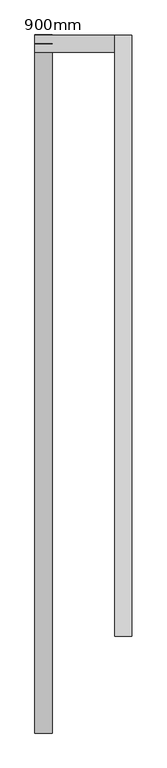
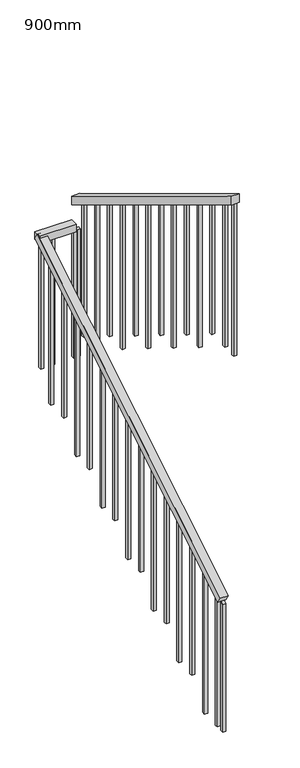
"""IFC4 building model written with IfcOpenShell, lengths in millimetres: railing geometry, 900mm."""

from ifc_helpers import new_model, si_unit, frame, origin, place, context, project, spatial, polyline, outline, extrude, source, transform, mapped, element, save


def railing_900mm_ddc5fd25(model_context):
    return source(origin(), model_context, "Body", "SweptSolid", [
        extrude(outline(polyline([(0.0, -50.0), (0.0, 0.0), (2341.079373, 0.0), (2341.079373, -50.0), (0.0, -50.0)])), frame((-17112.540233, -134.9692473, 1030.86362), z_axis=(0.0, -0.5190768045017743, 0.8547276004834681), x_axis=(0.0, 0.8547276004834681, 0.5190768045017743)), (0.0, 0.0, 1.0), 50.0),
        extrude(outline(polyline([(-17112.540233, 1815.4620675), (-17112.540233, 1865.4620675), (-16880.940233, 1865.4620675), (-16880.940233, 1815.4620675), (-17112.540233, 1815.4620675)])), frame((0.0, 0.0, 2238.8), z_axis=(0.0, 0.0, 1.0), x_axis=(1.0, 0.0, 0.0)), (0.0, 0.0, 1.0), 50.0),
        extrude(outline(polyline([(1865.4620675, 2447.0226364), (1865.4620675, 2388.5735374), (119.56949, 3445.550901), (119.56949, 3504.0), (1865.4620675, 2447.0226364)])), frame((-16880.940233, 0.0, 0.0), z_axis=(1.0, 0.0, 0.0), x_axis=(0.0, 1.0, 0.0)), (0.0, 0.0, 1.0), 50.0),
        extrude(outline(polyline([(240.4620675, 3380.8106644), (240.4620675, 2430.4), (220.4620675, 2430.4), (220.4620675, 3392.9188247), (240.4620675, 3380.8106644)])), frame((-16865.940233, 0.0, 0.0), z_axis=(1.0, 0.0, 0.0), x_axis=(0.0, 1.0, 0.0)), (0.0, 0.0, 1.0), 20.0),
        extrude(outline(polyline([(380.4620675, 3296.0535419), (380.4620675, 2430.4), (360.4620675, 2430.4), (360.4620675, 3308.1617023), (380.4620675, 3296.0535419)])), frame((-16865.940233, 0.0, 0.0), z_axis=(1.0, 0.0, 0.0), x_axis=(0.0, 1.0, 0.0)), (0.0, 0.0, 1.0), 20.0),
        extrude(outline(polyline([(520.4620675, 3211.2964195), (520.4620675, 2256.8), (500.4620675, 2256.8), (500.4620675, 3223.4045799), (520.4620675, 3211.2964195)])), frame((-16865.940233, 0.0, 0.0), z_axis=(1.0, 0.0, 0.0), x_axis=(0.0, 1.0, 0.0)), (0.0, 0.0, 1.0), 20.0),
        extrude(outline(polyline([(660.4620675, 3126.5392971), (660.4620675, 2256.8), (640.4620675, 2256.8), (640.4620675, 3138.6474575), (660.4620675, 3126.5392971)])), frame((-16865.940233, 0.0, 0.0), z_axis=(1.0, 0.0, 0.0), x_axis=(0.0, 1.0, 0.0)), (0.0, 0.0, 1.0), 20.0),
        extrude(outline(polyline([(800.4620675, 3041.7821747), (800.4620675, 2083.2), (780.4620675, 2083.2), (780.4620675, 3053.8903351), (800.4620675, 3041.7821747)])), frame((-16865.940233, 0.0, 0.0), z_axis=(1.0, 0.0, 0.0), x_axis=(0.0, 1.0, 0.0)), (0.0, 0.0, 1.0), 20.0),
        extrude(outline(polyline([(940.4620675, 2957.0250523), (940.4620675, 2083.2), (920.4620675, 2083.2), (920.4620675, 2969.1332126), (940.4620675, 2957.0250523)])), frame((-16865.940233, 0.0, 0.0), z_axis=(1.0, 0.0, 0.0), x_axis=(0.0, 1.0, 0.0)), (0.0, 0.0, 1.0), 20.0),
        extrude(outline(polyline([(1080.4620675, 2872.2679299), (1080.4620675, 1909.6), (1060.4620675, 1909.6), (1060.4620675, 2884.3760902), (1080.4620675, 2872.2679299)])), frame((-16865.940233, 0.0, 0.0), z_axis=(1.0, 0.0, 0.0), x_axis=(0.0, 1.0, 0.0)), (0.0, 0.0, 1.0), 20.0),
        extrude(outline(polyline([(1220.4620675, 2787.5108075), (1220.4620675, 1909.6), (1200.4620675, 1909.6), (1200.4620675, 2799.6189678), (1220.4620675, 2787.5108075)])), frame((-16865.940233, 0.0, 0.0), z_axis=(1.0, 0.0, 0.0), x_axis=(0.0, 1.0, 0.0)), (0.0, 0.0, 1.0), 20.0),
        extrude(outline(polyline([(1360.4620675, 2702.7536851), (1360.4620675, 1736.0), (1340.4620675, 1736.0), (1340.4620675, 2714.8618454), (1360.4620675, 2702.7536851)])), frame((-16865.940233, 0.0, 0.0), z_axis=(1.0, 0.0, 0.0), x_axis=(0.0, 1.0, 0.0)), (0.0, 0.0, 1.0), 20.0),
        extrude(outline(polyline([(1500.4620675, 2617.9965627), (1500.4620675, 1736.0), (1480.4620675, 1736.0), (1480.4620675, 2630.104723), (1500.4620675, 2617.9965627)])), frame((-16865.940233, 0.0, 0.0), z_axis=(1.0, 0.0, 0.0), x_axis=(0.0, 1.0, 0.0)), (0.0, 0.0, 1.0), 20.0),
        extrude(outline(polyline([(1640.4620675, 2533.2394402), (1640.4620675, 1562.4), (1620.4620675, 1562.4), (1620.4620675, 2545.3476006), (1640.4620675, 2533.2394402)])), frame((-16865.940233, 0.0, 0.0), z_axis=(1.0, 0.0, 0.0), x_axis=(0.0, 1.0, 0.0)), (0.0, 0.0, 1.0), 20.0),
        extrude(outline(polyline([(1780.4620675, 2448.4823178), (1780.4620675, 1562.4), (1760.4620675, 1562.4), (1760.4620675, 2460.5904782), (1780.4620675, 2448.4823178)])), frame((-16865.940233, 0.0, 0.0), z_axis=(1.0, 0.0, 0.0), x_axis=(0.0, 1.0, 0.0)), (0.0, 0.0, 1.0), 20.0),
        extrude(outline(polyline([(-16887.540233, 1830.4620675), (-16887.540233, 1850.4620675), (-16867.540233, 1850.4620675), (-16867.540233, 1830.4620675), (-16887.540233, 1830.4620675)])), frame((0.0, 0.0, 1388.8), z_axis=(0.0, 0.0, 1.0), x_axis=(1.0, 0.0, 0.0)), (0.0, 0.0, 1.0), 850.0),
        extrude(outline(polyline([(-17027.540233, 1830.4620675), (-17027.540233, 1850.4620675), (-17007.540233, 1850.4620675), (-17007.540233, 1830.4620675), (-17027.540233, 1830.4620675)])), frame((0.0, 0.0, 1388.8), z_axis=(0.0, 0.0, 1.0), x_axis=(1.0, 0.0, 0.0)), (0.0, 0.0, 1.0), 850.0),
        extrude(outline(polyline([(1719.0769125, 1215.2), (1719.0769125, 2165.3256117), (1739.0769125, 2177.4716288), (1739.0769125, 1215.2), (1719.0769125, 1215.2)])), frame((-17097.540233, 0.0, 0.0), z_axis=(1.0, 0.0, 0.0), x_axis=(0.0, 1.0, 0.0)), (0.0, 0.0, 1.0), 20.0),
        extrude(outline(polyline([(1579.0769125, 1215.2), (1579.0769125, 2080.3034916), (1599.0769125, 2092.4495088), (1599.0769125, 1215.2), (1579.0769125, 1215.2)])), frame((-17097.540233, 0.0, 0.0), z_axis=(1.0, 0.0, 0.0), x_axis=(0.0, 1.0, 0.0)), (0.0, 0.0, 1.0), 20.0),
        extrude(outline(polyline([(1439.0769125, 1041.6), (1439.0769125, 1995.2813716), (1459.0769125, 2007.4273888), (1459.0769125, 1041.6), (1439.0769125, 1041.6)])), frame((-17097.540233, 0.0, 0.0), z_axis=(1.0, 0.0, 0.0), x_axis=(0.0, 1.0, 0.0)), (0.0, 0.0, 1.0), 20.0),
        extrude(outline(polyline([(1299.0769125, 1041.6), (1299.0769125, 1910.2592516), (1319.0769125, 1922.4052688), (1319.0769125, 1041.6), (1299.0769125, 1041.6)])), frame((-17097.540233, 0.0, 0.0), z_axis=(1.0, 0.0, 0.0), x_axis=(0.0, 1.0, 0.0)), (0.0, 0.0, 1.0), 20.0),
        extrude(outline(polyline([(1159.0769125, 868.0), (1159.0769125, 1825.2371316), (1179.0769125, 1837.3831487), (1179.0769125, 868.0), (1159.0769125, 868.0)])), frame((-17097.540233, 0.0, 0.0), z_axis=(1.0, 0.0, 0.0), x_axis=(0.0, 1.0, 0.0)), (0.0, 0.0, 1.0), 20.0),
        extrude(outline(polyline([(1019.0769125, 868.0), (1019.0769125, 1740.2150116), (1039.0769125, 1752.3610287), (1039.0769125, 868.0), (1019.0769125, 868.0)])), frame((-17097.540233, 0.0, 0.0), z_axis=(1.0, 0.0, 0.0), x_axis=(0.0, 1.0, 0.0)), (0.0, 0.0, 1.0), 20.0),
        extrude(outline(polyline([(879.0769125, 694.4), (879.0769125, 1655.1928916), (899.0769125, 1667.3389087), (899.0769125, 694.4), (879.0769125, 694.4)])), frame((-17097.540233, 0.0, 0.0), z_axis=(1.0, 0.0, 0.0), x_axis=(0.0, 1.0, 0.0)), (0.0, 0.0, 1.0), 20.0),
        extrude(outline(polyline([(739.0769125, 694.4), (739.0769125, 1570.1707715), (759.0769125, 1582.3167887), (759.0769125, 694.4), (739.0769125, 694.4)])), frame((-17097.540233, 0.0, 0.0), z_axis=(1.0, 0.0, 0.0), x_axis=(0.0, 1.0, 0.0)), (0.0, 0.0, 1.0), 20.0),
        extrude(outline(polyline([(599.0769125, 520.8), (599.0769125, 1485.1486515), (619.0769125, 1497.2946687), (619.0769125, 520.8), (599.0769125, 520.8)])), frame((-17097.540233, 0.0, 0.0), z_axis=(1.0, 0.0, 0.0), x_axis=(0.0, 1.0, 0.0)), (0.0, 0.0, 1.0), 20.0),
        extrude(outline(polyline([(459.0769125, 520.8), (459.0769125, 1400.1265315), (479.0769125, 1412.2725486), (479.0769125, 520.8), (459.0769125, 520.8)])), frame((-17097.540233, 0.0, 0.0), z_axis=(1.0, 0.0, 0.0), x_axis=(0.0, 1.0, 0.0)), (0.0, 0.0, 1.0), 20.0),
        extrude(outline(polyline([(319.0769125, 347.2), (319.0769125, 1315.1044115), (339.0769125, 1327.2504286), (339.0769125, 347.2), (319.0769125, 347.2)])), frame((-17097.540233, 0.0, 0.0), z_axis=(1.0, 0.0, 0.0), x_axis=(0.0, 1.0, 0.0)), (0.0, 0.0, 1.0), 20.0),
        extrude(outline(polyline([(179.0769125, 347.2), (179.0769125, 1230.0822915), (199.0769125, 1242.2283086), (199.0769125, 347.2), (179.0769125, 347.2)])), frame((-17097.540233, 0.0, 0.0), z_axis=(1.0, 0.0, 0.0), x_axis=(0.0, 1.0, 0.0)), (0.0, 0.0, 1.0), 20.0),
        extrude(outline(polyline([(39.0769125, 173.6), (39.0769125, 1145.0601715), (59.0769125, 1157.2061886), (59.0769125, 173.6), (39.0769125, 173.6)])), frame((-17097.540233, 0.0, 0.0), z_axis=(1.0, 0.0, 0.0), x_axis=(0.0, 1.0, 0.0)), (0.0, 0.0, 1.0), 20.0),
        extrude(outline(polyline([(-100.9230875, 173.6), (-100.9230875, 1060.0380514), (-80.9230875, 1072.1840686), (-80.9230875, 173.6), (-100.9230875, 173.6)])), frame((-17097.540233, 0.0, 0.0), z_axis=(1.0, 0.0, 0.0), x_axis=(0.0, 1.0, 0.0)), (0.0, 0.0, 1.0), 20.0),
        extrude(outline(polyline([(-16865.940233, 1830.4620675), (-16865.940233, 1850.4620675), (-16845.940233, 1850.4620675), (-16845.940233, 1830.4620675), (-16865.940233, 1830.4620675)])), frame((0.0, 0.0, 1388.8), z_axis=(0.0, 0.0, 1.0), x_axis=(1.0, 0.0, 0.0)), (0.0, 0.0, 1.0), 850.0),
        extrude(outline(polyline([(-17077.540233, 1830.4620675), (-17097.540233, 1830.4620675), (-17097.540233, 1850.4620675), (-17077.540233, 1850.4620675), (-17077.540233, 1830.4620675)])), frame((0.0, 0.0, 1388.8), z_axis=(0.0, 0.0, 1.0), x_axis=(1.0, 0.0, 0.0)), (0.0, 0.0, 1.0), 850.0),
        extrude(outline(polyline([(139.56949, 3441.8918397), (139.56949, 2430.4), (119.56949, 2430.4), (119.56949, 3454.0), (139.56949, 3441.8918397)])), frame((-16865.940233, 0.0, 0.0), z_axis=(1.0, 0.0, 0.0), x_axis=(0.0, 1.0, 0.0)), (0.0, 0.0, 1.0), 20.0),
        extrude(outline(polyline([(-160.9230875, 173.6), (-160.9230875, 1023.6), (-140.9230875, 1035.7460171), (-140.9230875, 173.6), (-160.9230875, 173.6)])), frame((-17097.540233, 0.0, 0.0), z_axis=(1.0, 0.0, 0.0), x_axis=(0.0, 1.0, 0.0)), (0.0, 0.0, 1.0), 20.0),
    ])


if __name__ == "__main__":
    model = new_model("IFC4")
    model_context = context("Model", 3, world=origin())
    ifc_project = project(units=[si_unit("LENGTHUNIT", "METRE", prefix="MILLI")], contexts=[model_context])
    site = spatial("IfcSite", under=ifc_project)
    building = spatial("IfcBuilding", under=site)
    placement = place(None, origin())
    railing_900mm_shape = railing_900mm_ddc5fd25(model_context)
    element("IfcRailing", 1, ObjectType="900mm", at=placement, inside=building, context=model_context, shape_type="MappedRepresentation", body=[
        mapped(railing_900mm_shape, transform((0.0, 0.0, 0.0), x_axis=(1.0, 0.0, 0.0), y_axis=(0.0, 1.0, 0.0), z_axis=(0.0, 0.0, 1.0))),
    ])
    save(model, "model.ifc")
